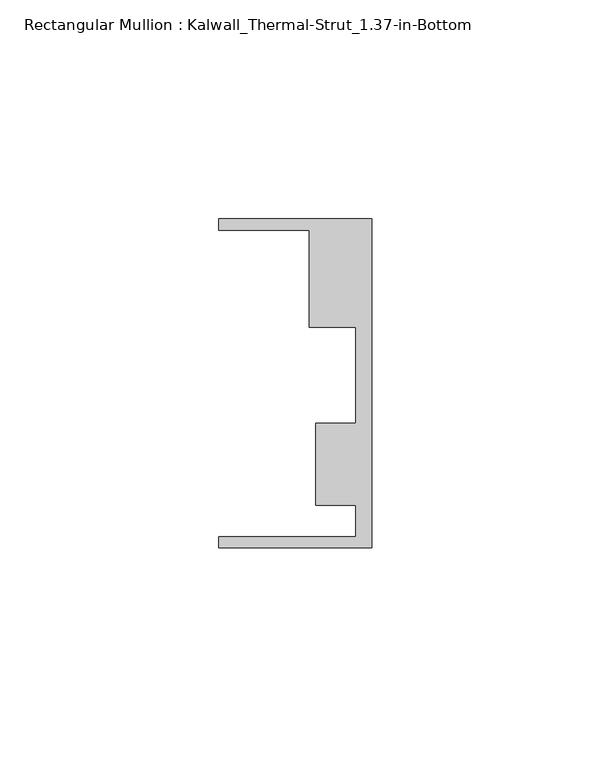
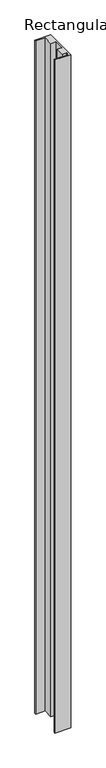
"""IFC4 building model written with IfcOpenShell, lengths in millimetres: member geometry, Rectangular Mullion : Kalwall_Thermal-Strut_1.37-in-Bottom."""

from ifc_helpers import new_model, si_unit, frame, origin, place, context, project, spatial, polyline, outline, extrude, source, transform, mapped, element, save


def rectangular_mullion_kalwall_thermal_strut_1_37_in_bottom_8b9f299a(model_context):
    return source(origin(), model_context, "Body", "SweptSolid", [
        extrude(outline(polyline([(0.0, -37.5776386), (-34.925, -37.5776386), (-34.925, -35.0376386), (-3.7084, -35.0376386), (-3.7084, -27.8888568), (-12.8272539, -27.8888568), (-12.8272539, -9.1879886), (-3.7084, -9.1879886), (-3.7084, 12.7373614), (-14.2875, 12.7373614), (-14.2875, 34.9623614), (-34.925, 34.9623614), (-34.925, 37.5023614), (0.0, 37.5023614), (0.0, -37.5776386)])), frame((0.0, 0.0, -1552.956), z_axis=(0.0, 0.0, 1.0), x_axis=(1.0, 0.0, 0.0)), (0.0, 0.0, 1.0), 1552.956),
    ])


if __name__ == "__main__":
    model = new_model("IFC4")
    model_context = context("Model", 3, world=origin())
    ifc_project = project(units=[si_unit("LENGTHUNIT", "METRE", prefix="MILLI")], contexts=[model_context])
    site = spatial("IfcSite", under=ifc_project)
    building = spatial("IfcBuilding", under=site)
    placement = place(None, origin())
    rectangular_mullion_kalwall_thermal_strut_1_37_in_bottom_shape = rectangular_mullion_kalwall_thermal_strut_1_37_in_bottom_8b9f299a(model_context)
    element("IfcMember", 1, ObjectType="Rectangular Mullion : Kalwall_Thermal-Strut_1.37-in-Bottom", at=placement, inside=building, context=model_context, shape_type="MappedRepresentation", body=[
        mapped(rectangular_mullion_kalwall_thermal_strut_1_37_in_bottom_shape, transform((0.0, 0.0, 0.0), x_axis=(1.0, 0.0, 0.0), y_axis=(0.0, 1.0, 0.0), z_axis=(0.0, 0.0, 1.0))),
    ])
    save(model, "model.ifc")
